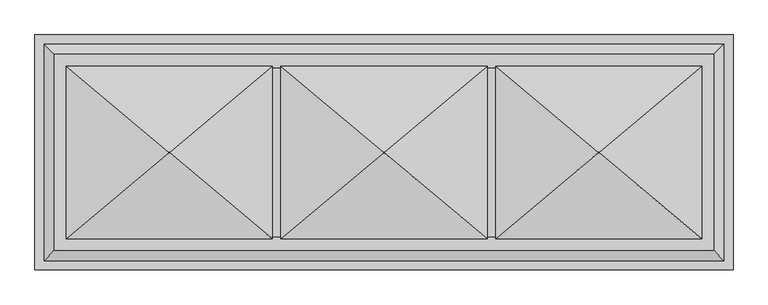
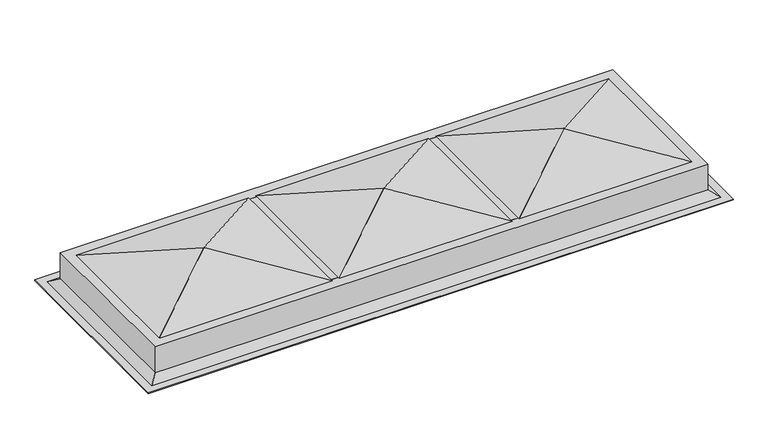
"""IFC4 building model written with IfcOpenShell, lengths in millimetres: proxy geometry."""

from ifc_helpers import new_model, si_unit, frame, origin, place, context, project, spatial, polyline, outline, extrude, faceted_brep, source, transform, mapped, element, save


def generic_models_7cff3147(model_context):
    return source(origin(), model_context, "Body", "SolidModel", [
        faceted_brep([(1278.2256208, 2.0219043, 4349.7), (1274.1743792, 2.0219043, 4349.7), (1274.1743792, -2.0219043, 4349.7), (1278.2256208, -2.0219043, 4349.7), (1888.9145915, 512.8, 4197.3), (1888.9145915, -512.8291829, 4197.3), (663.4854085, -512.8291829, 4197.3), (663.4854085, 512.8, 4197.3), (1838.0238439, 470.2351587, 4197.3), (714.3761561, 470.2351587, 4197.3), (714.3761561, -470.2619097, 4197.3), (1838.0238439, -470.2619097, 4197.3), (1278.2256208, 2.0219043, 4337.0), (1278.2256208, -2.0219043, 4337.0), (1274.1743792, -2.0219043, 4337.0), (1274.1743792, 2.0219043, 4337.0)], [[[0, 1, 2, 3]], [[4, 5, 6, 7], [8, 9, 10, 11]], [[1, 0, 4, 7]], [[2, 1, 7, 6]], [[3, 2, 6, 5]], [[0, 3, 5, 4]], [[12, 13, 14, 15]], [[12, 15, 9, 8]], [[15, 14, 10, 9]], [[14, 13, 11, 10]], [[13, 12, 8, 11]]]),
        faceted_brep([(2.0256208, 2.0219043, 4349.7), (-2.0256208, 2.0219043, 4349.7), (-2.0256208, -2.0219043, 4349.7), (2.0256208, -2.0219043, 4349.7), (612.7145915, 512.8, 4197.3), (612.7145915, -512.8291829, 4197.3), (-612.7145915, -512.8291829, 4197.3), (-612.7145915, 512.8, 4197.3), (561.8238439, 470.2351587, 4197.3), (-561.8238439, 470.2351587, 4197.3), (-561.8238439, -470.2619097, 4197.3), (561.8238439, -470.2619097, 4197.3), (2.0256208, 2.0219043, 4337.0), (2.0256208, -2.0219043, 4337.0), (-2.0256208, -2.0219043, 4337.0), (-2.0256208, 2.0219043, 4337.0)], [[[0, 1, 2, 3]], [[4, 5, 6, 7], [8, 9, 10, 11]], [[1, 0, 4, 7]], [[2, 1, 7, 6]], [[3, 2, 6, 5]], [[0, 3, 5, 4]], [[12, 13, 14, 15]], [[12, 15, 9, 8]], [[15, 14, 10, 9]], [[14, 13, 11, 10]], [[13, 12, 8, 11]]]),
        faceted_brep([(-1274.1743792, 2.0219043, 4349.7), (-1278.2256208, 2.0219043, 4349.7), (-1278.2256208, -2.0219043, 4349.7), (-1274.1743792, -2.0219043, 4349.7), (-663.4854085, 512.8, 4197.3), (-663.4854085, -512.8291829, 4197.3), (-1888.9145915, -512.8291829, 4197.3), (-1888.9145915, 512.8, 4197.3), (-714.3761561, 470.2351587, 4197.3), (-1838.0238439, 470.2351587, 4197.3), (-1838.0238439, -470.2619097, 4197.3), (-714.3761561, -470.2619097, 4197.3), (-1274.1743792, 2.0219043, 4337.0), (-1274.1743792, -2.0219043, 4337.0), (-1278.2256208, -2.0219043, 4337.0), (-1278.2256208, 2.0219043, 4337.0)], [[[0, 1, 2, 3]], [[4, 5, 6, 7], [8, 9, 10, 11]], [[1, 0, 4, 7]], [[2, 1, 7, 6]], [[3, 2, 6, 5]], [[0, 3, 5, 4]], [[12, 13, 14, 15]], [[12, 15, 9, 8]], [[15, 14, 10, 9]], [[14, 13, 11, 10]], [[13, 12, 8, 11]]]),
        extrude(outline(polyline([(-600.0, 500.1), (-600.0, -500.1), (-676.2, -500.1), (-676.2, 500.1), (-600.0, 500.1)])), frame((0.0, 0.0, 4108.4), z_axis=(0.0, 0.0, 1.0), x_axis=(1.0, 0.0, 0.0)), (0.0, 0.0, 1.0), 88.9),
        extrude(outline(polyline([(676.2, 500.1), (676.2, -500.1), (600.0, -500.1), (600.0, 500.1), (676.2, 500.1)])), frame((0.0, 0.0, 4108.4), z_axis=(0.0, 0.0, 1.0), x_axis=(1.0, 0.0, 0.0)), (0.0, 0.0, 1.0), 88.9),
        extrude(outline(polyline([(1952.4, -576.3), (-1952.4, -576.3), (-1952.4, 576.3), (1952.4, 576.3), (1952.4, -576.3)]), holes=[polyline([(1876.2, 500.1), (-1876.2, 500.1), (-1876.2, -500.1), (1876.2, -500.1), (1876.2, 500.1)])]), frame((0.0, 0.0, 3957.6), z_axis=(0.0, 0.0, 1.0), x_axis=(1.0, 0.0, 0.0)), (0.0, 0.0, 1.0), 150.8),
        faceted_brep([(1876.2, -500.1, 4108.4), (1876.2, -500.1, 4197.3), (1876.2, 500.1, 4197.3), (1876.2, 500.1, 4108.4), (1952.4, -576.3, 4000.3257778), (1952.4, -576.3, 4108.4), (1952.4, 576.3, 4108.4), (1952.4, 576.3, 4000.3257778), (2017.1717406, -641.0717406, 3957.6), (2017.1717406, 641.0717406, 3957.6), (2073.7439154, -697.6439154, 3963.95), (2073.7439154, -697.6439154, 3957.6), (2073.7439154, 697.6439154, 3957.6), (2073.7439154, 697.6439154, 3963.95), (1958.75, -582.65, 4003.7441654), (2019.0774532, -642.9774532, 3963.95), (2019.0774532, 642.9774532, 3963.95), (1958.75, 582.65, 4003.7441654), (1958.75, -582.65, 4197.3), (1958.75, 582.65, 4197.3), (-1876.2, 500.1, 4197.3), (-1876.2, 500.1, 4108.4), (-1952.4, 576.3, 4108.4), (-1952.4, 576.3, 4000.3257778), (-2017.1717406, 641.0717406, 3957.6), (-2073.7439154, 697.6439154, 3957.6), (-2073.7439154, 697.6439154, 3963.95), (-2019.0774532, 642.9774532, 3963.95), (-1958.75, 582.65, 4003.7441654), (-1958.75, 582.65, 4197.3), (-1876.2, -500.1, 4197.3), (-1876.2, -500.1, 4108.4), (-1952.4, -576.3, 4108.4), (-1952.4, -576.3, 4000.3257778), (-2017.1717406, -641.0717406, 3957.6), (-2073.7439154, -697.6439154, 3957.6), (-2073.7439154, -697.6439154, 3963.95), (-2019.0774532, -642.9774532, 3963.95), (-1958.75, -582.65, 4003.7441654), (-1958.75, -582.65, 4197.3)], [[[0, 1, 2, 3]], [[4, 5, 6, 7]], [[8, 4, 7, 9]], [[10, 11, 12, 13]], [[14, 15, 16, 17]], [[18, 14, 17, 19]], [[3, 2, 20, 21]], [[7, 6, 22, 23]], [[9, 7, 23, 24]], [[13, 12, 25, 26]], [[17, 16, 27, 28]], [[19, 17, 28, 29]], [[21, 20, 30, 31]], [[23, 22, 32, 33]], [[24, 23, 33, 34]], [[26, 25, 35, 36]], [[28, 27, 37, 38]], [[29, 28, 38, 39]], [[31, 30, 1, 0]], [[5, 32, 22, 6], [3, 21, 31, 0]], [[33, 32, 5, 4]], [[34, 33, 4, 8]], [[11, 35, 25, 12], [9, 24, 34, 8]], [[36, 35, 11, 10]], [[13, 26, 36, 10], [15, 37, 27, 16]], [[38, 37, 15, 14]], [[39, 38, 14, 18]], [[19, 29, 39, 18], [1, 30, 20, 2]]]),
    ])


if __name__ == "__main__":
    model = new_model("IFC4")
    model_context = context("Model", 3, world=origin())
    ifc_project = project(units=[si_unit("LENGTHUNIT", "METRE", prefix="MILLI")], contexts=[model_context])
    site = spatial("IfcSite", under=ifc_project)
    building = spatial("IfcBuilding", under=site)
    placement = place(None, origin())
    generic_models_shape = generic_models_7cff3147(model_context)
    element("IfcBuildingElementProxy", 1, Name="Generic Models", at=placement, inside=building, context=model_context, shape_type="MappedRepresentation", body=[
        mapped(generic_models_shape, transform((0.0, 0.0, 0.0), x_axis=(1.0, 0.0, 0.0), y_axis=(0.0, 1.0, 0.0), z_axis=(0.0, 0.0, 1.0))),
    ])
    save(model, "model.ifc")
